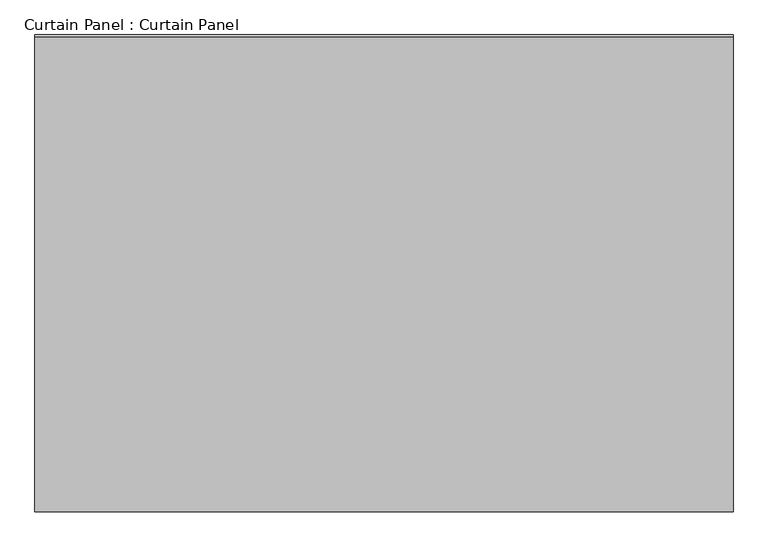
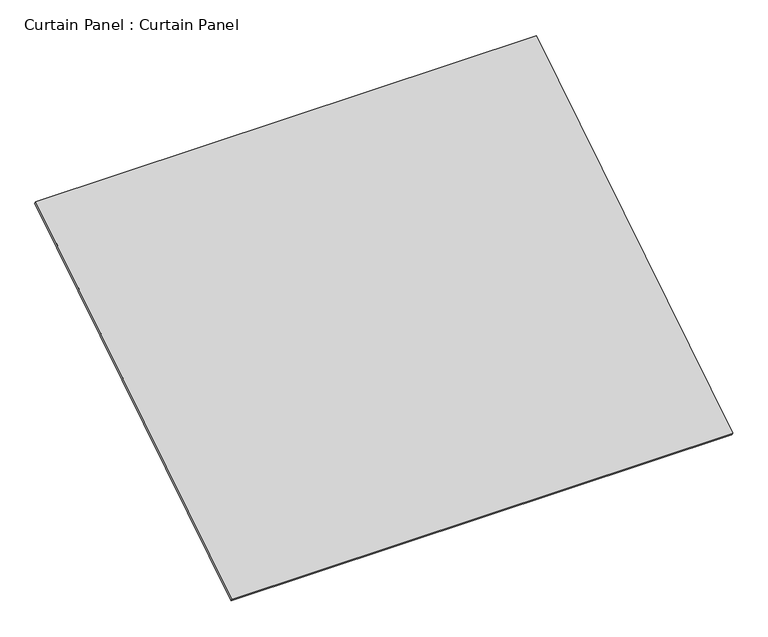
"""IFC4 building model written with IfcOpenShell, lengths in millimetres: plate geometry, Curtain Panel : Curtain Panel."""

from ifc_helpers import new_model, si_unit, frame, origin, place, context, project, spatial, polyline, outline, extrude, source, transform, mapped, element, save


def curtain_panel_curtain_panel_f9db0fbe(model_context):
    return source(origin(), model_context, "Body", "SweptSolid", [
        extrude(outline(polyline([(3754.902951, 0.0), (3754.902951, -3013.075), (0.0, -3013.075), (0.0, 0.0), (3754.902951, 0.0)])), frame((-126814.6430895, -1344.8078147, 8803.1977221), z_axis=(0.0, -0.5318918435658209, 0.8468122972348432), x_axis=(-1.0, 0.0, 0.0)), (0.0, 0.0, 1.0), 25.4),
    ])


if __name__ == "__main__":
    model = new_model("IFC4")
    model_context = context("Model", 3, world=origin())
    ifc_project = project(units=[si_unit("LENGTHUNIT", "METRE", prefix="MILLI")], contexts=[model_context])
    site = spatial("IfcSite", under=ifc_project)
    building = spatial("IfcBuilding", under=site)
    placement = place(None, origin())
    curtain_panel_curtain_panel_shape = curtain_panel_curtain_panel_f9db0fbe(model_context)
    element("IfcPlate", 1, ObjectType="Curtain Panel : Curtain Panel", at=placement, inside=building, context=model_context, shape_type="MappedRepresentation", body=[
        mapped(curtain_panel_curtain_panel_shape, transform((0.0, 0.0, 0.0), x_axis=(1.0, 0.0, 0.0), y_axis=(0.0, 1.0, 0.0), z_axis=(0.0, 0.0, 1.0))),
    ])
    save(model, "model.ifc")
